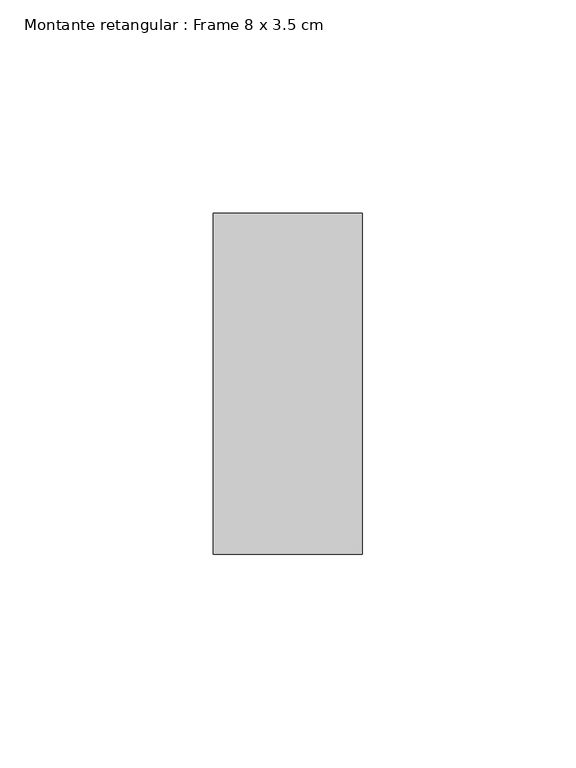
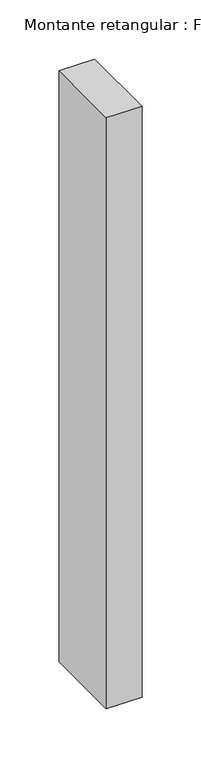
"""IFC4 building model written with IfcOpenShell, lengths in millimetres: member geometry, Montante retangular : Frame 8 x 3.5 cm."""

from ifc_helpers import new_model, si_unit, frame, origin, place, context, project, spatial, polyline, outline, extrude, source, transform, mapped, element, save


def montante_retangular_frame_8_x_3_5_cm_3ab88f8a(model_context):
    return source(origin(), model_context, "Body", "SweptSolid", [
        extrude(outline(polyline([(17.5, 40.0), (17.5, -40.0), (-17.5, -40.0), (-17.5, 40.0), (17.5, 40.0)])), frame((0.0, 0.0, -610.0), z_axis=(0.0, 0.0, 1.0), x_axis=(1.0, 0.0, 0.0)), (0.0, 0.0, 1.0), 610.0),
    ])


if __name__ == "__main__":
    model = new_model("IFC4")
    model_context = context("Model", 3, world=origin())
    ifc_project = project(units=[si_unit("LENGTHUNIT", "METRE", prefix="MILLI")], contexts=[model_context])
    site = spatial("IfcSite", under=ifc_project)
    building = spatial("IfcBuilding", under=site)
    placement = place(None, origin())
    montante_retangular_frame_8_x_3_5_cm_shape = montante_retangular_frame_8_x_3_5_cm_3ab88f8a(model_context)
    element("IfcMember", 1, ObjectType="Montante retangular : Frame 8 x 3.5 cm", at=placement, inside=building, context=model_context, shape_type="MappedRepresentation", body=[
        mapped(montante_retangular_frame_8_x_3_5_cm_shape, transform((0.0, 0.0, 0.0), x_axis=(1.0, 0.0, 0.0), y_axis=(0.0, 1.0, 0.0), z_axis=(0.0, 0.0, 1.0))),
    ])
    save(model, "model.ifc")
